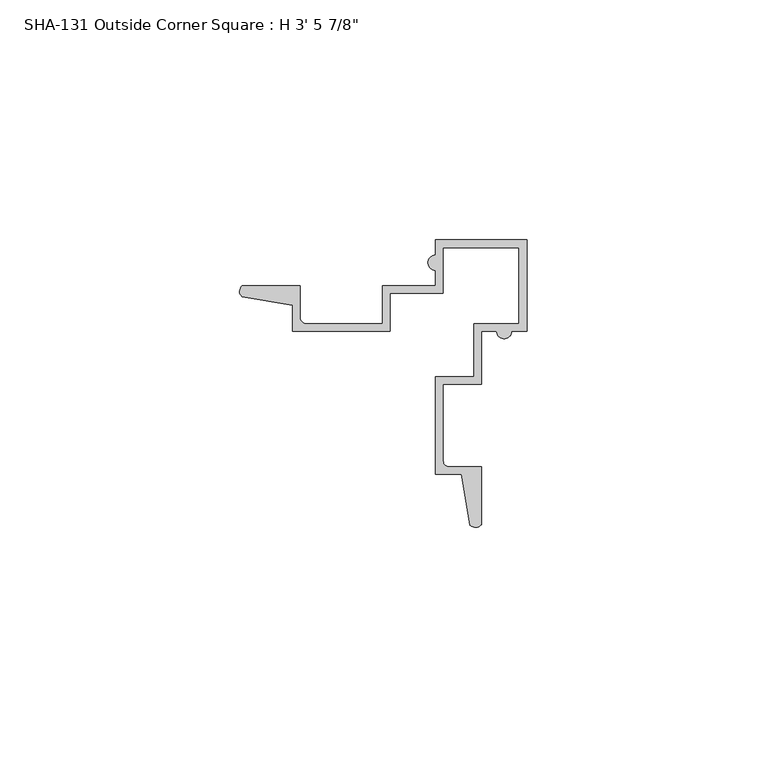
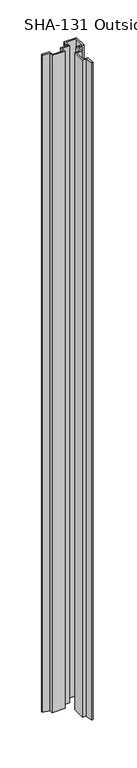
"""IFC4 building model written with IfcOpenShell, lengths in millimetres: proxy geometry."""

from ifc_helpers import new_model, si_unit, point, frame_2d, origin, origin_with_axes, place, context, project, spatial, polyline, circle_curve, trimmed, segment, composite_curve, outline, extrude, source, transform, mapped, element, save


def proxy_356ae95e(model_context):
    return source(origin(), model_context, "Body", "SweptSolid", [
        extrude(outline(composite_curve([segment(trimmed(circle_curve(frame_2d((18.8890334, -28.6651978)), 1.6162393), [point((20.0817099, -29.7559555))], [point((17.7603407, -29.8220393))], False, "CARTESIAN"), True, "CONTINUOUS"), segment(polyline([(17.7603407, -29.8220393), (15.9493669, -19.2459524), (10.5567099, -19.2459524), (10.5567099, 1.0700686), (18.5069099, 1.0700686), (18.5069099, 12.1698686), (27.9608077, 12.1698686), (27.9608077, 27.9991664), (12.1315099, 27.9991664), (12.1315099, 18.5452686), (1.0317099, 18.5452686), (1.0317099, 10.5950686), (-19.2843111, 10.5950686), (-19.2843111, 15.9877256), (-29.8603981, 17.7986994)]), True, "CONTINUOUS"), segment(trimmed(circle_curve(frame_2d((-28.7035566, 18.9273922)), 1.6162393), [point((-29.8603981, 17.7986994))], [point((-29.7943143, 20.1200686))], False, "CARTESIAN"), True, "CONTINUOUS"), segment(polyline([(-29.7943143, 20.1200686), (-17.7095111, 20.1200686), (-17.7095111, 13.4398686)]), True, "CONTINUOUS"), segment(trimmed(circle_curve(frame_2d((-16.4395111, 13.4398686)), 1.27), [point((-17.7095111, 13.4398686))], [point((-16.4395111, 12.1698686))], True, "CARTESIAN"), True, "CONTINUOUS"), segment(polyline([(-16.4395111, 12.1698686), (-0.5430901, 12.1698686), (-0.5430901, 20.1200686), (10.5567099, 20.1200686), (10.5567099, 23.3077686)]), True, "CONTINUOUS"), segment(trimmed(circle_curve(frame_2d((10.5567099, 24.8825686)), 1.5748), [point((10.5567099, 23.3077686))], [point((10.5567099, 26.4573686))], False, "CARTESIAN"), True, "CONTINUOUS"), segment(polyline([(10.5567099, 26.4573686), (10.5567099, 29.6450686), (29.6067099, 29.6450686), (29.6067099, 10.5950686), (26.4190099, 10.5950686)]), True, "CONTINUOUS"), segment(trimmed(circle_curve(frame_2d((24.8442099, 10.5950686)), 1.5748), [point((26.4190099, 10.5950686))], [point((23.2694099, 10.5950686))], False, "CARTESIAN"), True, "CONTINUOUS"), segment(polyline([(23.2694099, 10.5950686), (20.0817099, 10.5950686), (20.0817099, -0.5047314), (12.1315099, -0.5047314), (12.1315099, -16.4011524)]), True, "CONTINUOUS"), segment(trimmed(circle_curve(frame_2d((13.4015099, -16.4011524)), 1.27), [point((12.1315099, -16.4011524))], [point((13.4015099, -17.6711524))], True, "CARTESIAN"), True, "CONTINUOUS"), segment(polyline([(13.4015099, -17.6711524), (20.0817099, -17.6711524), (20.0817099, -29.7559555)]), True, "CONTINUOUS")], self_intersect=False)), origin_with_axes(), (0.0, 0.0, 1.0), 1063.625),
    ])


if __name__ == "__main__":
    model = new_model("IFC4")
    model_context = context("Model", 3, world=origin())
    ifc_project = project(units=[si_unit("LENGTHUNIT", "METRE", prefix="MILLI")], contexts=[model_context])
    site = spatial("IfcSite", under=ifc_project)
    building = spatial("IfcBuilding", under=site)
    placement = place(None, origin())
    proxy_shape = proxy_356ae95e(model_context)
    element("IfcBuildingElementProxy", 1, Name="SHA-131 Outside Corner Square : H 3' 5 7/8\"", ObjectType="SHA-131 Outside Corner Square : H 3' 5 7/8\"", at=placement, inside=building, context=model_context, shape_type="MappedRepresentation", body=[
        mapped(proxy_shape, transform((0.0, 0.0, 0.0), x_axis=(1.0, 0.0, 0.0), y_axis=(0.0, 1.0, 0.0), z_axis=(0.0, 0.0, 1.0))),
    ])
    save(model, "model.ifc")
